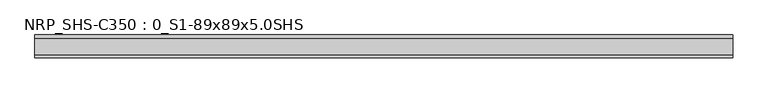
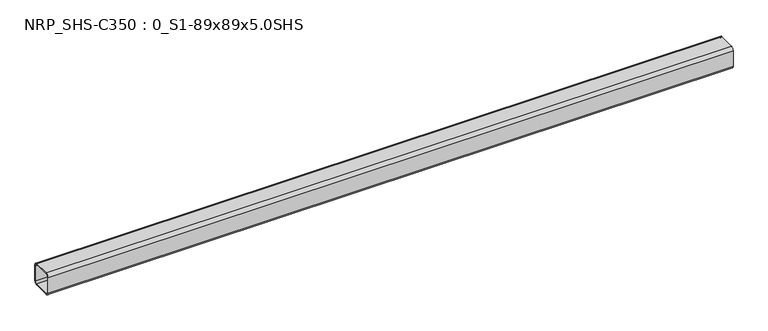
"""IFC4 building model written with IfcOpenShell, lengths in millimetres: beam geometry, NRP_SHS-C350 : 0_S1-89x89x5.0SHS."""

from ifc_helpers import new_model, si_unit, point, frame, frame_2d, origin, place, context, project, spatial, polyline, circle_curve, trimmed, segment, composite_curve, outline, extrude, source, transform, mapped, element, save


def nrp_shs_c350_0_s1_89x89x5_0shs_9d09022c(model_context):
    return source(origin(), model_context, "Body", "SweptSolid", [
        extrude(outline(composite_curve([segment(polyline([(44.5, 32.0), (44.5, -32.0)]), True, "CONTINUOUS"), segment(trimmed(circle_curve(frame_2d((32.0, -32.0)), 12.5), [point((44.5, -32.0))], [point((32.0, -44.5))], False, "CARTESIAN"), True, "CONTINUOUS"), segment(polyline([(32.0, -44.5), (-32.0, -44.5)]), True, "CONTINUOUS"), segment(trimmed(circle_curve(frame_2d((-32.0, -32.0)), 12.5), [point((-32.0, -44.5))], [point((-44.5, -32.0))], False, "CARTESIAN"), True, "CONTINUOUS"), segment(polyline([(-44.5, -32.0), (-44.5, 32.0)]), True, "CONTINUOUS"), segment(trimmed(circle_curve(frame_2d((-32.0, 32.0)), 12.5), [point((-44.5, 32.0))], [point((-32.0, 44.5))], False, "CARTESIAN"), True, "CONTINUOUS"), segment(polyline([(-32.0, 44.5), (32.0, 44.5)]), True, "CONTINUOUS"), segment(trimmed(circle_curve(frame_2d((32.0, 32.0)), 12.5), [point((32.0, 44.5))], [point((44.5, 32.0))], False, "CARTESIAN"), True, "CONTINUOUS")], self_intersect=False), holes=[composite_curve([segment(trimmed(circle_curve(frame_2d((-32.0, 32.0)), 7.5), [point((-32.0, 39.5))], [point((-39.5, 32.0))], True, "CARTESIAN"), True, "CONTINUOUS"), segment(polyline([(-39.5, 32.0), (-39.5, -32.0)]), True, "CONTINUOUS"), segment(trimmed(circle_curve(frame_2d((-32.0, -32.0)), 7.5), [point((-39.5, -32.0))], [point((-32.0, -39.5))], True, "CARTESIAN"), True, "CONTINUOUS"), segment(polyline([(-32.0, -39.5), (32.0, -39.5)]), True, "CONTINUOUS"), segment(trimmed(circle_curve(frame_2d((32.0, -32.0)), 7.5), [point((32.0, -39.5))], [point((39.5, -32.0))], True, "CARTESIAN"), True, "CONTINUOUS"), segment(polyline([(39.5, -32.0), (39.5, 32.0)]), True, "CONTINUOUS"), segment(trimmed(circle_curve(frame_2d((32.0, 32.0)), 7.5), [point((39.5, 32.0))], [point((32.0, 39.5))], True, "CARTESIAN"), True, "CONTINUOUS"), segment(polyline([(32.0, 39.5), (-32.0, 39.5)]), True, "CONTINUOUS")], self_intersect=False)]), frame((-1319.0, 0.0, 0.0), z_axis=(1.0, 0.0, 0.0), x_axis=(0.0, 1.0, 0.0)), (0.0, 0.0, 1.0), 2707.0),
    ])


if __name__ == "__main__":
    model = new_model("IFC4")
    model_context = context("Model", 3, world=origin())
    ifc_project = project(units=[si_unit("LENGTHUNIT", "METRE", prefix="MILLI")], contexts=[model_context])
    site = spatial("IfcSite", under=ifc_project)
    building = spatial("IfcBuilding", under=site)
    placement = place(None, origin())
    nrp_shs_c350_0_s1_89x89x5_0shs_shape = nrp_shs_c350_0_s1_89x89x5_0shs_9d09022c(model_context)
    element("IfcBeam", 1, ObjectType="NRP_SHS-C350 : 0_S1-89x89x5.0SHS", at=placement, inside=building, context=model_context, shape_type="MappedRepresentation", body=[
        mapped(nrp_shs_c350_0_s1_89x89x5_0shs_shape, transform((0.0, 0.0, 0.0), x_axis=(1.0, 0.0, 0.0), y_axis=(0.0, 1.0, 0.0), z_axis=(0.0, 0.0, 1.0))),
    ])
    save(model, "model.ifc")
